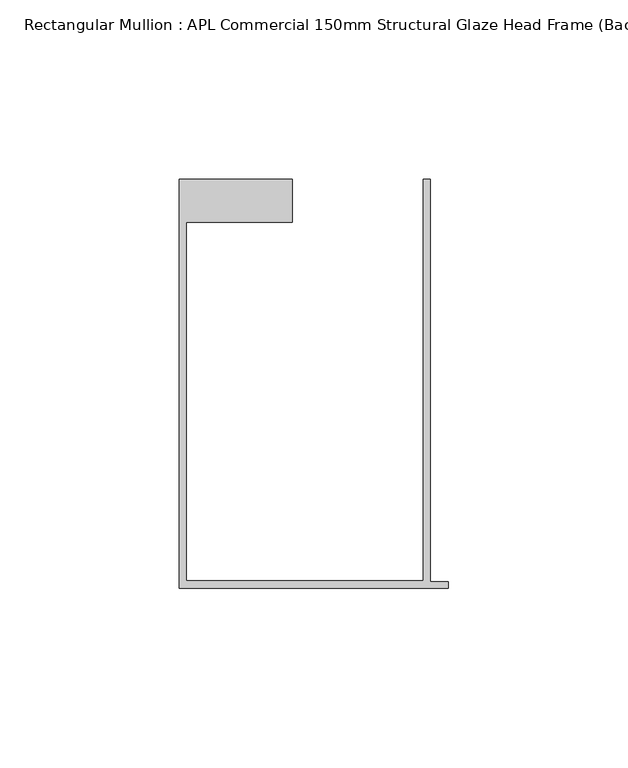
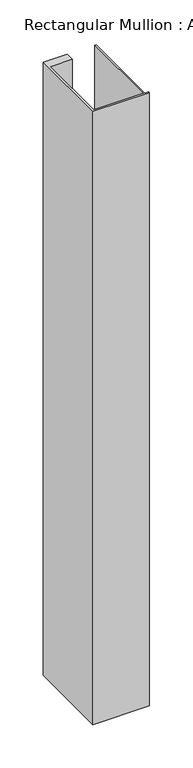
"""IFC4 building model written with IfcOpenShell, lengths in millimetres: member geometry, Rectangular Mullion : APL Commercial 150mm Structural Glaze Head Frame (Back)."""

from ifc_helpers import new_model, si_unit, frame, origin, place, context, project, spatial, polyline, outline, extrude, source, transform, mapped, element, save


def rectangular_mullion_apl_commercial_150mm_structural_glaze_b4c30d37(model_context):
    return source(origin(), model_context, "Body", "SweptSolid", [
        extrude(outline(polyline([(-75.0, -128.9993063), (-75.0, -14.9998342), (-43.5000151, -14.9998342), (-43.5000151, -26.9997514), (-73.0, -26.9997514), (-73.0, -126.9993063), (-7.0, -126.9993063), (-7.0, -14.9998342), (-5.0, -14.9998342), (-5.0, -127.1993063), (0.0, -127.1993063), (0.0, -128.9993063), (-75.0, -128.9993063)])), frame((0.0, 0.0, -861.893457), z_axis=(0.0, 0.0, 1.0), x_axis=(1.0, 0.0, 0.0)), (0.0, 0.0, 1.0), 861.893457),
    ])


if __name__ == "__main__":
    model = new_model("IFC4")
    model_context = context("Model", 3, world=origin())
    ifc_project = project(units=[si_unit("LENGTHUNIT", "METRE", prefix="MILLI")], contexts=[model_context])
    site = spatial("IfcSite", under=ifc_project)
    building = spatial("IfcBuilding", under=site)
    placement = place(None, origin())
    rectangular_mullion_apl_commercial_150mm_structural_glaze_shape = rectangular_mullion_apl_commercial_150mm_structural_glaze_b4c30d37(model_context)
    element("IfcMember", 1, ObjectType="Rectangular Mullion : APL Commercial 150mm Structural Glaze Head Frame (Back)", at=placement, inside=building, context=model_context, shape_type="MappedRepresentation", body=[
        mapped(rectangular_mullion_apl_commercial_150mm_structural_glaze_shape, transform((0.0, 0.0, 0.0), x_axis=(1.0, 0.0, 0.0), y_axis=(0.0, 1.0, 0.0), z_axis=(0.0, 0.0, 1.0))),
    ])
    save(model, "model.ifc")
